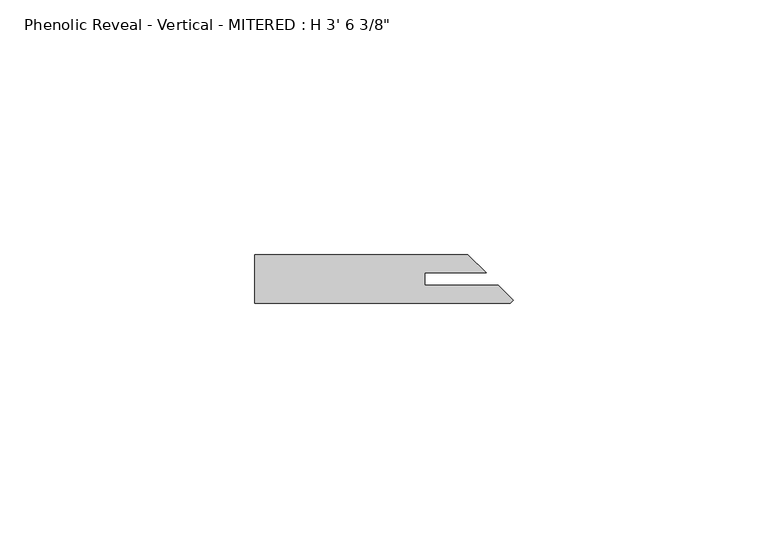
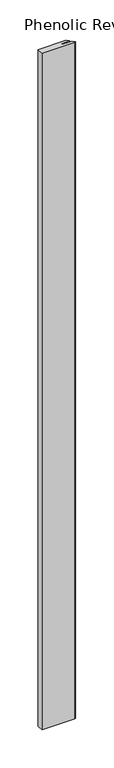
"""IFC4 building model written with IfcOpenShell, lengths in millimetres: proxy geometry."""

from ifc_helpers import new_model, si_unit, origin, origin_with_axes, place, context, project, spatial, polyline, outline, extrude, source, transform, mapped, element, save


def proxy_252ac674(model_context):
    return source(origin(), model_context, "Body", "SweptSolid", [
        extrude(outline(polyline([(33.3941322, -5.969), (47.8623619, -5.969), (50.8, -8.9066381), (50.1816381, -9.525), (0.0, -9.525), (0.0, 0.0), (41.8933619, 0.0), (45.4493619, -3.556), (33.3941322, -3.556), (33.3941322, -5.969)])), origin_with_axes(), (0.0, 0.0, 1.0), 1076.325),
    ])


if __name__ == "__main__":
    model = new_model("IFC4")
    model_context = context("Model", 3, world=origin())
    ifc_project = project(units=[si_unit("LENGTHUNIT", "METRE", prefix="MILLI")], contexts=[model_context])
    site = spatial("IfcSite", under=ifc_project)
    building = spatial("IfcBuilding", under=site)
    placement = place(None, origin())
    proxy_shape = proxy_252ac674(model_context)
    element("IfcBuildingElementProxy", 1, Name="Phenolic Reveal - Vertical - MITERED : H 3' 6 3/8\"", ObjectType="Phenolic Reveal - Vertical - MITERED : H 3' 6 3/8\"", at=placement, inside=building, context=model_context, shape_type="MappedRepresentation", body=[
        mapped(proxy_shape, transform((0.0, 0.0, 0.0), x_axis=(1.0, 0.0, 0.0), y_axis=(0.0, 1.0, 0.0), z_axis=(0.0, 0.0, 1.0))),
    ])
    save(model, "model.ifc")
